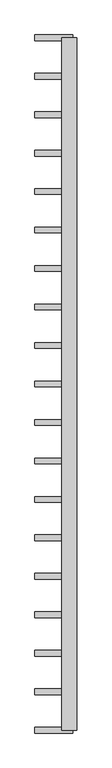
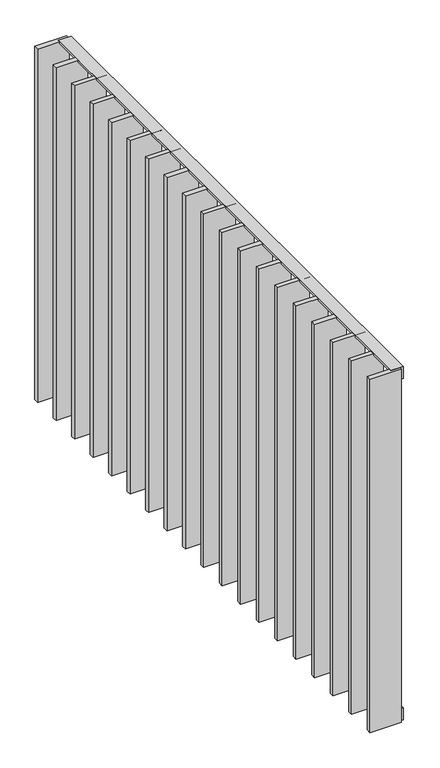
"""IFC4 building model written with IfcOpenShell, lengths in millimetres: railing geometry."""

from ifc_helpers import new_model, si_unit, frame, origin, place, context, project, spatial, polyline, outline, extrude, source, transform, mapped, element, save


def railing_f4adf1bb(model_context):
    return source(origin(), model_context, "Body", "SweptSolid", [
        extrude(outline(polyline([(-6.0, 14.0), (-40.0, 14.0), (-40.0, 20.0), (0.0, 20.0), (0.0, -20.0), (-6.0, -20.0), (-6.0, 14.0)])), frame((4559.5112064, 2764.7883888, 8000.0), z_axis=(2.5771642695362543e-12, 1.0, 0.0), x_axis=(0.0, 0.0, 1.0)), (0.0, 0.0, 1.0), 1820.0),
        extrude(outline(polyline([(6.0, 14.0), (6.0, -20.0), (0.0, -20.0), (0.0, 20.0), (40.0, 20.0), (40.0, 14.0), (6.0, 14.0)])), frame((4559.5112064, 2764.7883888, 6820.0), z_axis=(2.5771642695362543e-12, 1.0, 0.0), x_axis=(0.0, 0.0, 1.0)), (0.0, 0.0, 1.0), 1820.0),
        extrude(outline(polyline([(4569.5112064, 4476.1772777), (4469.5112064, 4476.1772777), (4469.5112064, 4491.1772777), (4569.5112064, 4491.1772777), (4569.5112064, 4476.1772777)])), frame((0.0, 0.0, 6819.9), z_axis=(0.0, 0.0, 1.0), x_axis=(1.0, 0.0, 0.0)), (0.0, 0.0, 1.0), 1180.2),
        extrude(outline(polyline([(4569.5112064, 4375.0661666), (4469.5112064, 4375.0661666), (4469.5112064, 4390.0661666), (4569.5112064, 4390.0661666), (4569.5112064, 4375.0661666)])), frame((0.0, 0.0, 6819.9), z_axis=(0.0, 0.0, 1.0), x_axis=(1.0, 0.0, 0.0)), (0.0, 0.0, 1.0), 1180.2),
        extrude(outline(polyline([(4569.5112064, 4273.9550555), (4469.5112064, 4273.9550555), (4469.5112064, 4288.9550555), (4569.5112064, 4288.9550555), (4569.5112064, 4273.9550555)])), frame((0.0, 0.0, 6819.9), z_axis=(0.0, 0.0, 1.0), x_axis=(1.0, 0.0, 0.0)), (0.0, 0.0, 1.0), 1180.2),
        extrude(outline(polyline([(4569.5112064, 4172.8439443), (4469.5112064, 4172.8439443), (4469.5112064, 4187.8439443), (4569.5112064, 4187.8439443), (4569.5112064, 4172.8439443)])), frame((0.0, 0.0, 6819.9), z_axis=(0.0, 0.0, 1.0), x_axis=(1.0, 0.0, 0.0)), (0.0, 0.0, 1.0), 1180.2),
        extrude(outline(polyline([(4569.5112064, 4071.7328332), (4469.5112064, 4071.7328332), (4469.5112064, 4086.7328332), (4569.5112064, 4086.7328332), (4569.5112064, 4071.7328332)])), frame((0.0, 0.0, 6819.9), z_axis=(0.0, 0.0, 1.0), x_axis=(1.0, 0.0, 0.0)), (0.0, 0.0, 1.0), 1180.2),
        extrude(outline(polyline([(4569.5112064, 3970.6217221), (4469.5112064, 3970.6217221), (4469.5112064, 3985.6217221), (4569.5112064, 3985.6217221), (4569.5112064, 3970.6217221)])), frame((0.0, 0.0, 6819.9), z_axis=(0.0, 0.0, 1.0), x_axis=(1.0, 0.0, 0.0)), (0.0, 0.0, 1.0), 1180.2),
        extrude(outline(polyline([(4569.5112064, 3869.510611), (4469.5112064, 3869.510611), (4469.5112064, 3884.510611), (4569.5112064, 3884.510611), (4569.5112064, 3869.510611)])), frame((0.0, 0.0, 6819.9), z_axis=(0.0, 0.0, 1.0), x_axis=(1.0, 0.0, 0.0)), (0.0, 0.0, 1.0), 1180.2),
        extrude(outline(polyline([(4569.5112064, 3768.3994999), (4469.5112064, 3768.3994999), (4469.5112064, 3783.3994999), (4569.5112064, 3783.3994999), (4569.5112064, 3768.3994999)])), frame((0.0, 0.0, 6819.9), z_axis=(0.0, 0.0, 1.0), x_axis=(1.0, 0.0, 0.0)), (0.0, 0.0, 1.0), 1180.2),
        extrude(outline(polyline([(4569.5112064, 3667.2883888), (4469.5112064, 3667.2883888), (4469.5112064, 3682.2883888), (4569.5112064, 3682.2883888), (4569.5112064, 3667.2883888)])), frame((0.0, 0.0, 6819.9), z_axis=(0.0, 0.0, 1.0), x_axis=(1.0, 0.0, 0.0)), (0.0, 0.0, 1.0), 1180.2),
        extrude(outline(polyline([(4569.5112064, 3566.1772777), (4469.5112064, 3566.1772777), (4469.5112064, 3581.1772777), (4569.5112064, 3581.1772777), (4569.5112064, 3566.1772777)])), frame((0.0, 0.0, 6819.9), z_axis=(0.0, 0.0, 1.0), x_axis=(1.0, 0.0, 0.0)), (0.0, 0.0, 1.0), 1180.2),
        extrude(outline(polyline([(4569.5112064, 3465.0661666), (4469.5112064, 3465.0661666), (4469.5112064, 3480.0661666), (4569.5112064, 3480.0661666), (4569.5112064, 3465.0661666)])), frame((0.0, 0.0, 6819.9), z_axis=(0.0, 0.0, 1.0), x_axis=(1.0, 0.0, 0.0)), (0.0, 0.0, 1.0), 1180.2),
        extrude(outline(polyline([(4569.5112064, 3363.9550555), (4469.5112064, 3363.9550555), (4469.5112064, 3378.9550555), (4569.5112064, 3378.9550555), (4569.5112064, 3363.9550555)])), frame((0.0, 0.0, 6819.9), z_axis=(0.0, 0.0, 1.0), x_axis=(1.0, 0.0, 0.0)), (0.0, 0.0, 1.0), 1180.2),
        extrude(outline(polyline([(4569.5112064, 3262.8439443), (4469.5112064, 3262.8439443), (4469.5112064, 3277.8439443), (4569.5112064, 3277.8439443), (4569.5112064, 3262.8439443)])), frame((0.0, 0.0, 6819.9), z_axis=(0.0, 0.0, 1.0), x_axis=(1.0, 0.0, 0.0)), (0.0, 0.0, 1.0), 1180.2),
        extrude(outline(polyline([(4569.5112064, 3161.7328332), (4469.5112064, 3161.7328332), (4469.5112064, 3176.7328332), (4569.5112064, 3176.7328332), (4569.5112064, 3161.7328332)])), frame((0.0, 0.0, 6819.9), z_axis=(0.0, 0.0, 1.0), x_axis=(1.0, 0.0, 0.0)), (0.0, 0.0, 1.0), 1180.2),
        extrude(outline(polyline([(4569.5112064, 3060.6217221), (4469.5112064, 3060.6217221), (4469.5112064, 3075.6217221), (4569.5112064, 3075.6217221), (4569.5112064, 3060.6217221)])), frame((0.0, 0.0, 6819.9), z_axis=(0.0, 0.0, 1.0), x_axis=(1.0, 0.0, 0.0)), (0.0, 0.0, 1.0), 1180.2),
        extrude(outline(polyline([(4569.5112064, 2959.510611), (4469.5112064, 2959.510611), (4469.5112064, 2974.510611), (4569.5112064, 2974.510611), (4569.5112064, 2959.510611)])), frame((0.0, 0.0, 6819.9), z_axis=(0.0, 0.0, 1.0), x_axis=(1.0, 0.0, 0.0)), (0.0, 0.0, 1.0), 1180.2),
        extrude(outline(polyline([(4569.5112064, 2858.3994999), (4469.5112064, 2858.3994999), (4469.5112064, 2873.3994999), (4569.5112064, 2873.3994999), (4569.5112064, 2858.3994999)])), frame((0.0, 0.0, 6819.9), z_axis=(0.0, 0.0, 1.0), x_axis=(1.0, 0.0, 0.0)), (0.0, 0.0, 1.0), 1180.2),
        extrude(outline(polyline([(4569.5112064, 4577.2883888), (4469.5112064, 4577.2883888), (4469.5112064, 4592.2883888), (4569.5112064, 4592.2883888), (4569.5112064, 4577.2883888)])), frame((0.0, 0.0, 6819.9), z_axis=(0.0, 0.0, 1.0), x_axis=(1.0, 0.0, 0.0)), (0.0, 0.0, 1.0), 1180.2),
        extrude(outline(polyline([(4569.5112064, 2757.2883888), (4469.5112064, 2757.2883888), (4469.5112064, 2772.2883888), (4569.5112064, 2772.2883888), (4569.5112064, 2757.2883888)])), frame((0.0, 0.0, 6819.9), z_axis=(0.0, 0.0, 1.0), x_axis=(1.0, 0.0, 0.0)), (0.0, 0.0, 1.0), 1180.2),
    ])


if __name__ == "__main__":
    model = new_model("IFC4")
    model_context = context("Model", 3, world=origin())
    ifc_project = project(units=[si_unit("LENGTHUNIT", "METRE", prefix="MILLI")], contexts=[model_context])
    site = spatial("IfcSite", under=ifc_project)
    building = spatial("IfcBuilding", under=site)
    placement = place(None, origin())
    railing_shape = railing_f4adf1bb(model_context)
    element("IfcRailing", 1, at=placement, inside=building, context=model_context, shape_type="MappedRepresentation", body=[
        mapped(railing_shape, transform((0.0, 0.0, 0.0), x_axis=(1.0, 0.0, 0.0), y_axis=(0.0, 1.0, 0.0), z_axis=(0.0, 0.0, 1.0))),
    ])
    save(model, "model.ifc")
